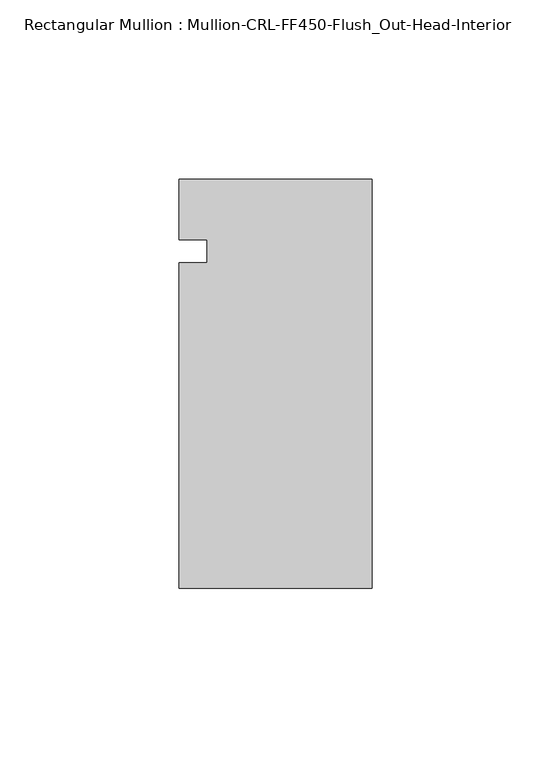
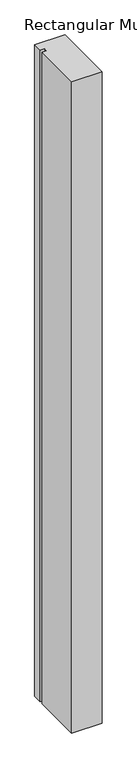
"""IFC4 building model written with IfcOpenShell, lengths in millimetres: member geometry, Rectangular Mullion : Mullion-CRL-FF450-Flush_Out-Head-Interior."""

from ifc_helpers import new_model, si_unit, frame, origin, place, context, project, spatial, polyline, outline, extrude, source, transform, mapped, element, save


def rectangular_mullion_mullion_crl_ff450_flush_out_head_752906b2(model_context):
    return source(origin(), model_context, "Body", "SweptSolid", [
        extrude(outline(polyline([(0.0, 20.160815), (0.0, -94.1210236), (-53.9750401, -94.1210236), (-53.9750401, -3.1555912), (-46.0375401, -3.1555912), (-46.0375401, 3.1944088), (-53.9750401, 3.1944088), (-53.9750401, 20.160815), (0.0, 20.160815)])), frame((0.0, 0.0, -1226.6174053), z_axis=(0.0, 0.0, 1.0), x_axis=(1.0, 0.0, 0.0)), (0.0, 0.0, 1.0), 1226.6174053),
    ])


if __name__ == "__main__":
    model = new_model("IFC4")
    model_context = context("Model", 3, world=origin())
    ifc_project = project(units=[si_unit("LENGTHUNIT", "METRE", prefix="MILLI")], contexts=[model_context])
    site = spatial("IfcSite", under=ifc_project)
    building = spatial("IfcBuilding", under=site)
    placement = place(None, origin())
    rectangular_mullion_mullion_crl_ff450_flush_out_head_shape = rectangular_mullion_mullion_crl_ff450_flush_out_head_752906b2(model_context)
    element("IfcMember", 1, ObjectType="Rectangular Mullion : Mullion-CRL-FF450-Flush_Out-Head-Interior", at=placement, inside=building, context=model_context, shape_type="MappedRepresentation", body=[
        mapped(rectangular_mullion_mullion_crl_ff450_flush_out_head_shape, transform((0.0, 0.0, 0.0), x_axis=(1.0, 0.0, 0.0), y_axis=(0.0, 1.0, 0.0), z_axis=(0.0, 0.0, 1.0))),
    ])
    save(model, "model.ifc")
